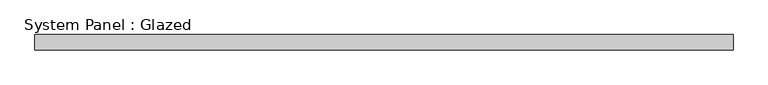
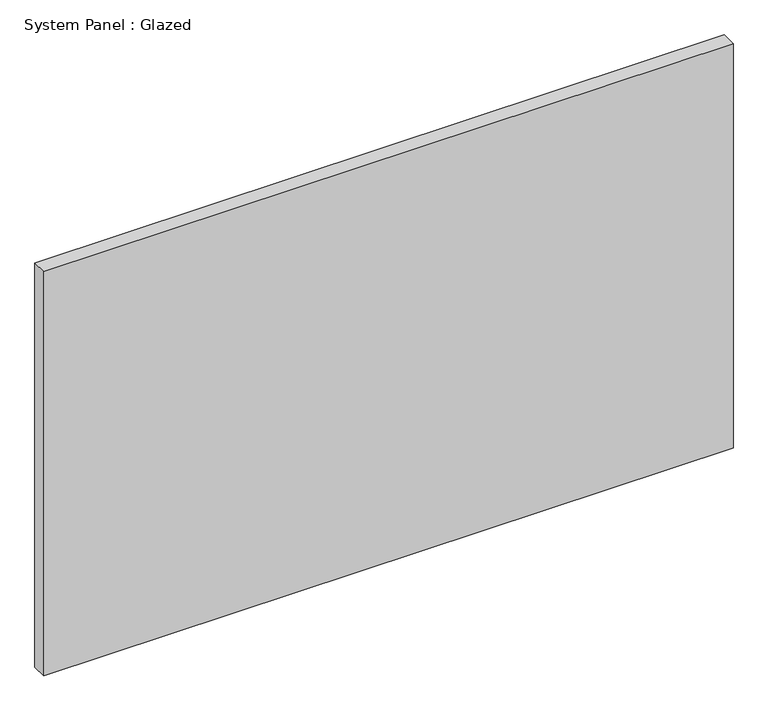
"""IFC4 building model written with IfcOpenShell, lengths in millimetres: plate geometry, System Panel : Glazed."""

from ifc_helpers import new_model, si_unit, origin, origin_with_axes, place, context, project, spatial, polyline, outline, extrude, source, transform, mapped, element, save


def system_panel_glazed_0f733e7b(model_context):
    return source(origin(), model_context, "Body", "SweptSolid", [
        extrude(outline(polyline([(578.7229167, -44.45), (-578.7229167, -44.45), (-578.7229167, -19.05), (578.7229167, -19.05), (578.7229167, -44.45)])), origin_with_axes(), (0.0, 0.0, 1.0), 717.95),
    ])


if __name__ == "__main__":
    model = new_model("IFC4")
    model_context = context("Model", 3, world=origin())
    ifc_project = project(units=[si_unit("LENGTHUNIT", "METRE", prefix="MILLI")], contexts=[model_context])
    site = spatial("IfcSite", under=ifc_project)
    building = spatial("IfcBuilding", under=site)
    placement = place(None, origin())
    system_panel_glazed_shape = system_panel_glazed_0f733e7b(model_context)
    element("IfcPlate", 1, ObjectType="System Panel : Glazed", at=placement, inside=building, context=model_context, shape_type="MappedRepresentation", body=[
        mapped(system_panel_glazed_shape, transform((0.0, 0.0, 0.0), x_axis=(1.0, 0.0, 0.0), y_axis=(0.0, 1.0, 0.0), z_axis=(0.0, 0.0, 1.0))),
    ])
    save(model, "model.ifc")
